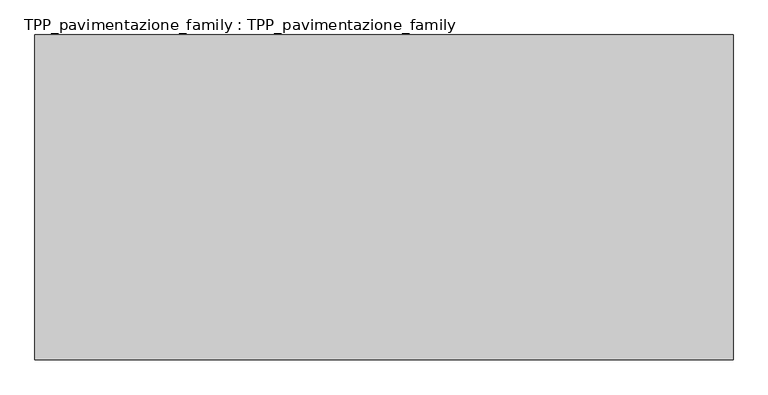
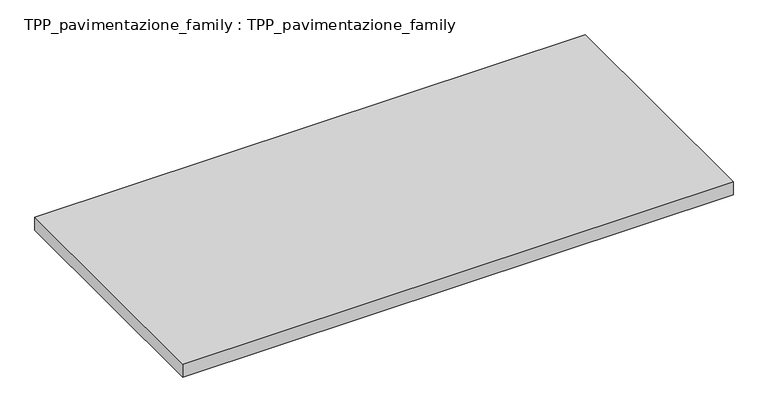
"""IFC4 building model written with IfcOpenShell, lengths in millimetres: proxy geometry, TPP_pavimentazione_family : TPP_pavimentazione_family."""

import ifcopenshell
import ifcopenshell.guid

model = None  # the IFC model being written
_history = None  # IfcOwnerHistory: only IFC2X3 demands one
_inside = {}  # id of a spatial element -> (the spatial element, [elements in it])
_under = {}  # id of a project, library or spatial element -> (it, [spatial elements below it])
_declared = {}  # id of a project -> (the project, [libraries it declares])
_typed = {}  # id of a type object -> (the type object, [elements of that type])
_made_of = {}  # id of a material, layer set ... -> (it, [elements and type objects made of it])


def new_model(schema):
    """Start an empty IFC model of exactly this schema.

    Asked for "IFC4X3", IfcOpenShell would pick the latest addendum, in which some entities
    have other attributes; the version numbers below select the first issue.
    IFC2X3 requires an IfcOwnerHistory on every rooted entity: one is made here for all.
    """
    global model, _history
    if schema == "IFC4X3":
        model = ifcopenshell.file(schema_version=(4, 3, 0, 0))
    else:
        model = ifcopenshell.file(schema=schema)
    _inside.clear()
    _under.clear()
    _declared.clear()
    _typed.clear()
    _made_of.clear()
    _history = None
    if model.schema == "IFC2X3":
        org = make("IfcOrganization", Name="unknown")
        user = make(
            "IfcPersonAndOrganization",
            ThePerson=make("IfcPerson", FamilyName="unknown"),
            TheOrganization=org,
        )
        app = make(
            "IfcApplication",
            ApplicationDeveloper=org,
            Version="unknown",
            ApplicationFullName="unknown",
            ApplicationIdentifier="unknown",
        )
        _history = make(
            "IfcOwnerHistory",
            OwningUser=user,
            OwningApplication=app,
            ChangeAction="ADDED",
            CreationDate=0,
        )
    return model


def make(cls, **values):
    """One entity of the class cls with the attributes given. An attribute that is None is left unset."""
    return model.create_entity(
        cls, **{name: value for name, value in values.items() if value is not None}
    )


def rooted(cls, **values):
    """An entity with a GlobalId (a new one), such as an element, a storey or a relation."""
    return make(cls, GlobalId=ifcopenshell.guid.new(), OwnerHistory=_history, **values)


def si_unit(unit_type, name, prefix=None):
    """IfcSIUnit, for example si_unit("LENGTHUNIT", "METRE", prefix="MILLI")."""
    return make("IfcSIUnit", UnitType=unit_type, Prefix=prefix, Name=name)


def assignment(units):
    """IfcUnitAssignment: the units of a project."""
    return None if units is None else make("IfcUnitAssignment", Units=units)


def point(xyz):
    """IfcCartesianPoint."""
    return None if xyz is None else make("IfcCartesianPoint", Coordinates=xyz)


def direction(xyz):
    """IfcDirection."""
    return None if xyz is None else make("IfcDirection", DirectionRatios=xyz)


def frame(location, z_axis=None, x_axis=None):
    """IfcAxis2Placement3D, a coordinate frame: its origin and axes. An axis left out is left unset."""
    return make(
        "IfcAxis2Placement3D",
        Location=point(location),
        Axis=direction(z_axis),
        RefDirection=direction(x_axis),
    )


def origin():
    """The frame at (0, 0, 0) with its axes left unset."""
    return frame((0.0, 0.0, 0.0))


def origin_with_axes():
    """The frame at (0, 0, 0) with the z axis (0, 0, 1) and the x axis (1, 0, 0) written out."""
    return frame((0.0, 0.0, 0.0), z_axis=(0.0, 0.0, 1.0), x_axis=(1.0, 0.0, 0.0))


def place(relative_to, where):
    """IfcLocalPlacement: puts the frame where relative to a parent placement (None: the world)."""
    return make(
        "IfcLocalPlacement", PlacementRelTo=relative_to, RelativePlacement=where
    )


def context(
    kind, dimensions, precision=None, world=None, true_north=None, identifier=None
):
    """IfcGeometricRepresentationContext, for example the 3D "Model" context."""
    return make(
        "IfcGeometricRepresentationContext",
        ContextIdentifier=identifier,
        ContextType=kind,
        CoordinateSpaceDimension=dimensions,
        Precision=precision,
        WorldCoordinateSystem=world,
        TrueNorth=true_north,
    )


def project(units=None, contexts=None):
    """IfcProject with its units and contexts."""
    return rooted(
        "IfcProject",
        Name="project",
        RepresentationContexts=contexts,
        UnitsInContext=assignment(units),
    )


def spatial(cls, under=None, at=None, **own):
    """A site, building, storey or space (cls), placed at a placement, below another one or the project."""
    s = rooted(cls, ObjectPlacement=at, **own)
    if under is not None:
        _under.setdefault(under.id(), (under, []))[1].append(s)
    return s


def polyline(points):
    """IfcPolyline through the points."""
    return make("IfcPolyline", Points=[point(p) for p in points])


def outline(outer, holes=None, kind="AREA"):
    """IfcArbitraryClosedProfileDef: a profile drawn as a closed curve; with holes, ...WithVoids."""
    if holes is None:
        return make("IfcArbitraryClosedProfileDef", ProfileType=kind, OuterCurve=outer)
    return make(
        "IfcArbitraryProfileDefWithVoids",
        ProfileType=kind,
        OuterCurve=outer,
        InnerCurves=holes,
    )


def extrude(swept, where, along, depth):
    """IfcExtrudedAreaSolid: the profile swept, set in the frame where, extruded along a direction by depth."""
    return make(
        "IfcExtrudedAreaSolid",
        SweptArea=swept,
        Position=where,
        ExtrudedDirection=direction(along),
        Depth=depth,
    )


def shape(context_of_items, identifier, shape_type, items):
    """IfcShapeRepresentation: the items that make up one representation, for example the "Body"."""
    return make(
        "IfcShapeRepresentation",
        ContextOfItems=context_of_items,
        RepresentationIdentifier=identifier,
        RepresentationType=shape_type,
        Items=items,
    )


def source(mapping_origin, context_of_items, identifier, shape_type, items):
    """IfcRepresentationMap: a shape defined once, which mapped items show again and again."""
    return make(
        "IfcRepresentationMap",
        MappingOrigin=mapping_origin,
        MappedRepresentation=shape(context_of_items, identifier, shape_type, items),
    )


def transform(
    local_origin,
    x_axis=None,
    y_axis=None,
    z_axis=None,
    scale=None,
    scale2=None,
    scale3=None,
    uniform=True,
):
    """IfcCartesianTransformationOperator3D, or its non-uniform kind. x_axis, y_axis, z_axis: its Axis1, 2, 3."""
    if uniform:
        return make(
            "IfcCartesianTransformationOperator3D",
            Axis1=direction(x_axis),
            Axis2=direction(y_axis),
            LocalOrigin=point(local_origin),
            Scale=scale,
            Axis3=direction(z_axis),
        )
    return make(
        "IfcCartesianTransformationOperator3DnonUniform",
        Axis1=direction(x_axis),
        Axis2=direction(y_axis),
        LocalOrigin=point(local_origin),
        Scale=scale,
        Axis3=direction(z_axis),
        Scale2=scale2,
        Scale3=scale3,
    )


def mapped(mapping_source, mapping_target):
    """IfcMappedItem: shows the shape of a source again, moved by a transform."""
    return make(
        "IfcMappedItem", MappingSource=mapping_source, MappingTarget=mapping_target
    )


def made_of(thing, what):
    """Note that an element or type object is made of a material, layer set ...; save() writes the relation."""
    if what is not None:
        _made_of.setdefault(what.id(), (what, []))[1].append(thing)
    return thing


def element(
    cls,
    number,
    at=None,
    inside=None,
    cuts=None,
    type_object=None,
    material=None,
    context=None,
    identifier="Body",
    shape_type=None,
    held_by="IfcProductDefinitionShape",
    body=None,
    shapes=None,
    **own,
):
    """One element of the class cls, such as IfcWall. Its Tag is "e" and its number.

    at: its placement. inside: the storey or other place that contains it. cuts: it is an
    opening in that element (IfcRelVoidsElement). A single representation is given by context,
    identifier, shape_type and body (its items); several are given by shapes. held_by: the class
    of the entity that holds the representations. save() writes the other relations.
    """
    e = rooted(cls, Tag="e%d" % number, ObjectPlacement=at, **own)
    if body is not None:
        shapes = [shape(context, identifier, shape_type, body)]
    if shapes is not None:
        e.Representation = make(held_by, Representations=shapes)
    if inside is not None:
        _inside.setdefault(inside.id(), (inside, []))[1].append(e)
    if cuts is not None:
        rooted(
            "IfcRelVoidsElement", RelatingBuildingElement=cuts, RelatedOpeningElement=e
        )
    if type_object is not None:
        _typed.setdefault(type_object.id(), (type_object, []))[1].append(e)
    return made_of(e, material)


def aggregate(whole, parts):
    """IfcRelAggregates: a whole, such as a stair, and the parts it consists of."""
    return rooted("IfcRelAggregates", RelatingObject=whole, RelatedObjects=parts)


def save(model, path):
    """Write the relations noted so far, then the file.

    IfcRelAggregates (storeys below a building ...), IfcRelContainedInSpatialStructure (elements
    in a storey), IfcRelDefinesByType, IfcRelAssociatesMaterial and IfcRelDeclares: one each for
    every whole, place, type object, material and project.
    """
    for whole, parts in _under.values():
        aggregate(whole, parts)
    for where, things in _inside.values():
        rooted(
            "IfcRelContainedInSpatialStructure",
            RelatedElements=things,
            RelatingStructure=where,
        )
    for kind, things in _typed.values():
        rooted("IfcRelDefinesByType", RelatedObjects=things, RelatingType=kind)
    for what, things in _made_of.values():
        rooted("IfcRelAssociatesMaterial", RelatedObjects=things, RelatingMaterial=what)
    for by, libraries in _declared.values():
        rooted("IfcRelDeclares", RelatingContext=by, RelatedDefinitions=libraries)
    model.write(path)


def tpp_pavimentazione_family_tpp_pavimentazione_family_a9f260ea(model_context):
    return source(origin(), model_context, "Body", "SweptSolid", [
        extrude(outline(polyline([(511.8146187, 354.2201026), (511.8146187, -578.3928393), (-1492.3234689, -578.3928393), (-1492.3234689, 354.2201026), (511.8146187, 354.2201026)])), origin_with_axes(), (0.0, 0.0, 1.0), 50.0),
    ])


if __name__ == "__main__":
    model = new_model("IFC4")
    model_context = context("Model", 3, world=origin())
    ifc_project = project(units=[si_unit("LENGTHUNIT", "METRE", prefix="MILLI")], contexts=[model_context])
    site = spatial("IfcSite", under=ifc_project)
    building = spatial("IfcBuilding", under=site)
    placement = place(None, origin())
    tpp_pavimentazione_family_tpp_pavimentazione_family_shape = tpp_pavimentazione_family_tpp_pavimentazione_family_a9f260ea(model_context)
    element("IfcBuildingElementProxy", 1, Name="TPP_pavimentazione_family : TPP_pavimentazione_family", ObjectType="TPP_pavimentazione_family : TPP_pavimentazione_family", at=placement, inside=building, context=model_context, shape_type="MappedRepresentation", body=[
        mapped(tpp_pavimentazione_family_tpp_pavimentazione_family_shape, transform((0.0, 0.0, 0.0), x_axis=(1.0, 0.0, 0.0), y_axis=(0.0, 1.0, 0.0), z_axis=(0.0, 0.0, 1.0))),
    ])
    save(model, "model.ifc")
